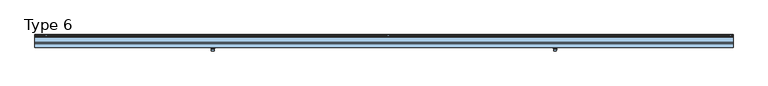
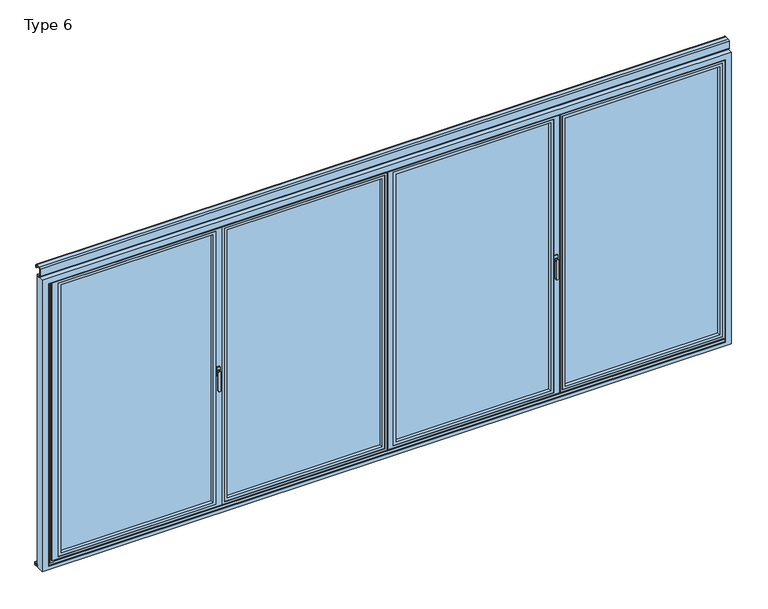
"""IFC4 building model written with IfcOpenShell, lengths in millimetres: window geometry, Type 6."""

from ifc_helpers import new_model, si_unit, point, frame, frame_2d, origin, place, context, project, spatial, polyline, circle_curve, trimmed, segment, composite_curve, outline, extrude, faceted_brep, source, transform, mapped, element, save
from ifc_brep_helpers import plane_surface, revolved_surface, advanced_brep


def type_6_a76ce523(model_context):
    return source(origin(), model_context, "Body", "SolidModel", [
        faceted_brep([(-1164.5, 80.0, 10.0), (-1164.5, 80.0, 35.0), (-1164.5, 80.0, 2070.0), (-1164.5, 80.0, 2095.0), (27.0, 80.0, 2095.0), (27.0, 80.0, 2070.0), (27.0, 80.0, 35.0), (27.0, 80.0, 10.0), (-35.5, 80.0, 72.5), (-35.5, 80.0, 2032.5), (-1102.0, 80.0, 2032.5), (-1102.0, 80.0, 72.5), (-1139.5, 20.0, 35.0), (-1134.5, 20.0, 35.0), (-3.0, 20.0, 35.0), (2.0, 20.0, 35.0), (2.0, 20.0, 2070.0), (-3.0, 20.0, 2070.0), (-1134.5, 20.0, 2070.0), (-1139.5, 20.0, 2070.0), (-1124.5, 20.0, 50.0), (-1124.5, 20.0, 2055.0), (-13.0, 20.0, 2055.0), (-13.0, 20.0, 50.0), (-13.0, 72.75, 2055.0), (-13.0, 72.75, 50.0), (-1124.5, 72.75, 50.0), (-1124.5, 72.75, 2055.0), (-1102.0, 72.75, 72.5), (-1102.0, 72.75, 2032.5), (-35.5, 72.75, 2032.5), (-35.5, 72.75, 72.5), (27.0, 73.0, 10.0), (-1164.5, 73.0, 10.0), (-1139.5, 27.0, 35.0), (-1134.5, 27.0, 35.0), (-3.0, 27.0, 35.0), (2.0, 27.0, 35.0), (12.0, 73.0, 25.0), (12.0, 73.0, 35.0), (12.0, 73.0, 2070.0), (12.0, 73.0, 2080.0), (12.0, 27.0, 2080.0), (12.0, 27.0, 25.0), (-1149.5, 27.0, 25.0), (-1149.5, 73.0, 25.0), (-1149.5, 27.0, 2080.0), (-1149.5, 73.0, 2080.0), (-1149.5, 73.0, 2070.0), (-1149.5, 73.0, 35.0), (27.0, 73.0, 2095.0), (27.0, 73.0, 2070.0), (27.0, 73.0, 35.0), (-1164.5, 73.0, 35.0), (-1164.5, 73.0, 2070.0), (-1164.5, 73.0, 2095.0), (-1139.5, 27.0, 2070.0), (-1134.5, 27.0, 2070.0), (-3.0, 27.0, 2070.0), (2.0, 27.0, 2070.0)], [[[0, 1, 2, 3, 4, 5, 6, 7], [8, 9, 10, 11]], [[12, 13, 14, 15, 16, 17, 18, 19], [20, 21, 22, 23]], [[23, 22, 24, 25]], [[25, 26, 20, 23]], [[26, 27, 21, 20]], [[25, 24, 27, 26], [28, 29, 30, 31]], [[31, 30, 9, 8]], [[8, 11, 28, 31]], [[11, 10, 29, 28]], [[27, 24, 22, 21]], [[10, 9, 30, 29]], [[32, 33, 0, 7]], [[15, 14, 13, 12, 34, 35, 36, 37]], [[38, 39, 40, 41, 42, 43]], [[43, 44, 45, 38]], [[44, 46, 47, 48, 49, 45]], [[46, 42, 41, 47]], [[50, 51, 52, 32, 7, 6, 5, 4]], [[33, 53, 54, 55, 3, 2, 1, 0]], [[43, 42, 46, 44], [37, 36, 35, 34, 56, 57, 58, 59]], [[19, 56, 34, 12]], [[15, 37, 59, 16]], [[32, 52, 51, 50, 55, 54, 53, 33], [45, 49, 48, 47, 41, 40, 39, 38]], [[4, 3, 55, 50]], [[19, 18, 17, 16, 59, 58, 57, 56]]]),
        extrude(outline(polyline([(-13.0, 72.75), (-13.0, 44.75), (-1124.5, 44.75), (-1124.5, 72.75), (-13.0, 72.75)])), frame((0.0, 0.0, 50.0), z_axis=(0.0, 0.0, 1.0), x_axis=(1.0, 0.0, 0.0)), (0.0, 0.0, 1.0), 2005.0),
        extrude(outline(polyline([(2055.0, -13.0), (2055.0, -1124.5), (50.0, -1124.5), (50.0, -13.0), (2055.0, -13.0)]), holes=[polyline([(2035.0009231, -1104.5009231), (2035.0009231, -32.9990769), (69.9990769, -32.9990769), (69.9990769, -1104.5009231), (2035.0009231, -1104.5009231)])]), frame((0.0, 20.5, 0.0), z_axis=(0.0, 1.0, 0.0), x_axis=(0.0, 0.0, 1.0)), (0.0, 0.0, 1.0), 24.25),
        extrude(outline(composite_curve([segment(trimmed(circle_curve(frame_2d((29.5, 93.5)), 10.0), [point((39.5, 93.5))], [point((19.5, 93.5))], False, "CARTESIAN"), True, "CONTINUOUS"), segment(trimmed(circle_curve(frame_2d((29.5, 93.5)), 10.0), [point((19.5, 93.5))], [point((39.5, 93.5))], False, "CARTESIAN"), True, "CONTINUOUS")], self_intersect=False)), frame((0.0, 0.0, -12.0640378), z_axis=(0.0, 0.0, 1.0), x_axis=(1.0, 0.0, 0.0)), (0.0, 0.0, 1.0), 166.5636122),
        extrude(outline(composite_curve([segment(trimmed(circle_curve(frame_2d((29.5, 93.5)), 10.0), [point((19.5, 93.5))], [point((39.5, 93.5))], False, "CARTESIAN"), True, "CONTINUOUS"), segment(trimmed(circle_curve(frame_2d((29.5, 93.5)), 10.0), [point((39.5, 93.5))], [point((19.5, 93.5))], False, "CARTESIAN"), True, "CONTINUOUS")], self_intersect=False)), frame((0.0, 0.0, 1972.5), z_axis=(0.0, 0.0, 1.0), x_axis=(1.0, 0.0, 0.0)), (0.0, 0.0, 1.0), 153.5),
        advanced_brep(
        [(1162.0, -4.0, 896.6867153), (1180.0, -4.0, 896.6867153), (1180.0, -4.0, 1028.0), (1162.0, -4.0, 1028.0), (1161.0, 3.5, 896.6867153), (1161.0, 3.5, 1028.0), (1181.0, 3.5, 1028.0), (1181.0, 3.5, 896.6867153), (1160.0, 11.0, 1028.0), (1182.0, 11.0, 1028.0)],
        [
            (0, 1, circle_curve(frame((1171.0, -4.0, 896.6867153), z_axis=(0.0, -1.0, 0.0), x_axis=(-1.0000000000000009, 0.0, 0.0)), 9.0)),
            (1, 2),
            (2, 3, circle_curve(frame((1171.0, -4.0, 1028.0), z_axis=(0.0, -1.0, 0.0), x_axis=(1.0000000000000009, 0.0, 0.0)), 9.0)),
            (3, 0),
            (4, 5),
            (5, 6, circle_curve(frame((1171.0, 3.5, 1028.0), z_axis=(0.0, -1.0, 0.0), x_axis=(1.0000000000000009, 0.0, 0.0)), 10.0)),
            (6, 7),
            (7, 4, circle_curve(frame((1171.0, 3.5, 896.6867153), z_axis=(0.0, 1.0, 0.0), x_axis=(-1.0000000000000009, 0.0, 0.0)), 10.0)),
            (0, 4),
            (7, 1),
            (6, 2),
            (6, 5, circle_curve(frame((1171.0, 3.5, 1028.0), z_axis=(0.0, -1.0, 0.0), x_axis=(1.0000000000000009, 0.0, 0.0)), 10.0)),
            (5, 3),
            (8, 9, circle_curve(frame((1171.0, 11.0, 1028.0), z_axis=(0.0, 1.0, 0.0), x_axis=(-1.0000000000000009, 0.0, 0.0)), 11.0)),
            (9, 8, circle_curve(frame((1171.0, 11.0, 1028.0), z_axis=(0.0, 1.0, 0.0), x_axis=(1.0000000000000009, 0.0, 0.0)), 11.0)),
            (8, 5),
            (6, 9),
        ],
        [
            plane_surface(frame((1171.0, -4.0, 962.3433576), z_axis=(0.0, -1.0, 0.0), x_axis=(0.0, 0.0, -1.0))),
            plane_surface(frame((1171.0, 3.5, 962.3433576), z_axis=(0.0, 1.0, 0.0), x_axis=(0.0, 0.0, -1.0))),
            revolved_surface(polyline([(1162.0, -4.0, 896.6867153), (1161.0, 3.5, 896.6867153)]), (1171.0, -71.5, 896.6867153), (0.0, 1.0000000000000009, 0.0)),
            plane_surface(frame((1181.0, 3.5, 962.3433576), z_axis=(0.9912279006826268, -0.1321637200910768, 0.0), x_axis=(0.0, 0.0, 1.0))),
            revolved_surface(polyline([(1180.0, -4.0, 1028.0), (1181.0, 3.5, 1028.0)]), (1171.0, -71.5, 1028.0), (0.0, 1.0000000000000009, 0.0)),
            plane_surface(frame((1161.0, 3.5, 962.3433576), z_axis=(-0.99122790068263, -0.13216372009105393, 0.0), x_axis=(0.0, 0.0, -1.0))),
            plane_surface(frame((1171.0, 11.0, 1028.0), z_axis=(0.0, 1.0, 0.0), x_axis=(0.0, 0.0, 1.0))),
            revolved_surface(polyline([(1181.0, 3.5, 1028.0), (1182.0, 11.0, 1028.0)]), (1171.0, -71.5, 1028.0), (0.0, 1.0000000000000009, 0.0)),
            revolved_surface(polyline([(1161.0, 3.5, 1028.0), (1160.0, 11.0, 1028.0)]), (1171.0, -71.5, 1028.0), (0.0, 1.0000000000000009, 0.0)),
        ],
        [
            (0, [[1, 2, 3, 4]]),
            (1, [[5, 6, 7, 8]]),
            (2, [[-1, 9, -8, 10]]),
            (3, [[-2, -10, -7, 11]]),
            (4, [[-3, -11, 12, 13]]),
            (5, [[-4, -13, -5, -9]]),
            (6, [[14, 15]]),
            (7, [[-14, 16, -12, 17]]),
            (8, [[-15, -17, -6, -16]]),
        ],
    ),
        extrude(outline(polyline([(1183.0, 11.0), (1159.0, 11.0), (1159.0, 20.0), (1183.0, 20.0), (1183.0, 11.0)])), frame((0.0, 0.0, 998.0), z_axis=(0.0, 0.0, 1.0), x_axis=(1.0, 0.0, 0.0)), (0.0, 0.0, 1.0), 60.0),
        faceted_brep([(1173.5, 80.0, 10.0), (32.0, 80.0, 10.0), (32.0, 80.0, 35.0), (32.0, 80.0, 2070.0), (32.0, 80.0, 2095.0), (1173.5, 80.0, 2095.0), (1173.5, 80.0, 2070.0), (1173.5, 80.0, 35.0), (69.5, 80.0, 72.5), (1136.0, 80.0, 72.5), (1136.0, 80.0, 2032.5), (69.5, 80.0, 2032.5), (1198.5, 20.0, 35.0), (1198.5, 20.0, 2070.0), (7.0, 20.0, 2070.0), (7.0, 20.0, 35.0), (1158.5, 20.0, 50.0), (47.0, 20.0, 50.0), (47.0, 20.0, 2055.0), (1158.5, 20.0, 2055.0), (47.0, 72.75, 50.0), (47.0, 72.75, 2055.0), (1158.5, 72.75, 50.0), (1158.5, 72.75, 2055.0), (1136.0, 72.75, 72.5), (69.5, 72.75, 72.5), (69.5, 72.75, 2032.5), (1136.0, 72.75, 2032.5), (32.0, 73.0, 10.0), (1173.5, 73.0, 10.0), (1198.5, 27.0, 35.0), (7.0, 27.0, 35.0), (22.0, 27.0, 35.0), (1183.5, 27.0, 35.0), (22.0, 73.0, 25.0), (22.0, 73.0, 2080.0), (32.0, 73.0, 2080.0), (32.0, 73.0, 2070.0), (32.0, 73.0, 35.0), (32.0, 73.0, 25.0), (1183.5, 73.0, 2080.0), (1183.5, 73.0, 25.0), (1173.5, 73.0, 25.0), (1173.5, 73.0, 35.0), (1173.5, 73.0, 2070.0), (1173.5, 73.0, 2080.0), (22.0, 27.0, 25.0), (22.0, 27.0, 2070.0), (22.0, 27.0, 2080.0), (1183.5, 27.0, 25.0), (1183.5, 27.0, 2080.0), (1183.5, 27.0, 2070.0), (1198.5, 27.0, 2070.0), (7.0, 27.0, 2070.0), (32.0, 73.0, 2095.0), (1173.5, 73.0, 2095.0)], [[[0, 1, 2, 3, 4, 5, 6, 7], [8, 9, 10, 11]], [[12, 13, 14, 15], [16, 17, 18, 19]], [[17, 20, 21, 18]], [[20, 17, 16, 22]], [[22, 16, 19, 23]], [[20, 22, 23, 21], [24, 25, 26, 27]], [[25, 8, 11, 26]], [[8, 25, 24, 9]], [[9, 24, 27, 10]], [[23, 19, 18, 21]], [[10, 27, 26, 11]], [[28, 1, 0, 29]], [[30, 12, 15, 31, 32, 33]], [[34, 35, 36, 37, 38, 39]], [[40, 41, 42, 43, 44, 45]], [[34, 46, 32, 47, 48, 35]], [[46, 34, 39, 42, 41, 49]], [[49, 41, 40, 50, 51, 33]], [[46, 49, 33, 32]], [[50, 48, 47, 51]], [[50, 40, 45, 36, 35, 48]], [[14, 13, 52, 51, 47, 53]], [[14, 53, 31, 15]], [[54, 4, 3, 2, 1, 28, 39, 38, 37, 36]], [[29, 0, 7, 6, 5, 55, 45, 44, 43, 42]], [[39, 28, 29, 42]], [[54, 36, 45, 55]], [[4, 54, 55, 5]], [[12, 30, 52, 13]], [[52, 30, 33, 51]], [[31, 53, 47, 32]]]),
        extrude(outline(polyline([(47.0, 72.75), (1158.5, 72.75), (1158.5, 44.75), (47.0, 44.75), (47.0, 72.75)])), frame((0.0, 0.0, 50.0), z_axis=(0.0, 0.0, 1.0), x_axis=(1.0, 0.0, 0.0)), (0.0, 0.0, 1.0), 2005.0),
        extrude(outline(polyline([(2055.0, 47.0), (50.0, 47.0), (50.0, 1158.5), (2055.0, 1158.5), (2055.0, 47.0)]), holes=[polyline([(2035.0009231, 1138.5009231), (69.9990769, 1138.5009231), (69.9990769, 66.9990769), (2035.0009231, 66.9990769), (2035.0009231, 1138.5009231)])]), frame((0.0, 20.5, 0.0), z_axis=(0.0, 1.0, 0.0), x_axis=(0.0, 0.0, 1.0)), (0.0, 0.0, 1.0), 24.25),
        extrude(outline(composite_curve([segment(trimmed(circle_curve(frame_2d((29.5, 93.5)), 10.0), [point((19.5, 93.5))], [point((39.5, 93.5))], False, "CARTESIAN"), True, "CONTINUOUS"), segment(trimmed(circle_curve(frame_2d((29.5, 93.5)), 10.0), [point((39.5, 93.5))], [point((19.5, 93.5))], False, "CARTESIAN"), True, "CONTINUOUS")], self_intersect=False)), frame((0.0, 0.0, -12.0640378), z_axis=(0.0, 0.0, 1.0), x_axis=(1.0, 0.0, 0.0)), (0.0, 0.0, 1.0), 166.5636122),
        extrude(outline(composite_curve([segment(trimmed(circle_curve(frame_2d((29.5, 93.5)), 10.0), [point((39.5, 93.5))], [point((19.5, 93.5))], False, "CARTESIAN"), True, "CONTINUOUS"), segment(trimmed(circle_curve(frame_2d((29.5, 93.5)), 10.0), [point((19.5, 93.5))], [point((39.5, 93.5))], False, "CARTESIAN"), True, "CONTINUOUS")], self_intersect=False)), frame((0.0, 0.0, 1972.5), z_axis=(0.0, 0.0, 1.0), x_axis=(1.0, 0.0, 0.0)), (0.0, 0.0, 1.0), 153.5),
        faceted_brep([(1178.5, 80.0, 10.0), (1178.5, 80.0, 35.0), (1178.5, 80.0, 2070.0), (1178.5, 80.0, 2095.0), (2370.0, 80.0, 2095.0), (2370.0, 80.0, 2070.0), (2370.0, 80.0, 35.0), (2370.0, 80.0, 10.0), (2307.5, 80.0, 72.5), (2307.5, 80.0, 2032.5), (1241.0, 80.0, 2032.5), (1241.0, 80.0, 72.5), (1203.5, 20.0, 35.0), (1208.5, 20.0, 35.0), (2340.0, 20.0, 35.0), (2345.0, 20.0, 35.0), (2345.0, 20.0, 2070.0), (2340.0, 20.0, 2070.0), (1208.5, 20.0, 2070.0), (1203.5, 20.0, 2070.0), (1218.5, 20.0, 50.0), (1218.5, 20.0, 2055.0), (2330.0, 20.0, 2055.0), (2330.0, 20.0, 50.0), (2330.0, 72.75, 2055.0), (2330.0, 72.75, 50.0), (1218.5, 72.75, 50.0), (1218.5, 72.75, 2055.0), (1241.0, 72.75, 72.5), (1241.0, 72.75, 2032.5), (2307.5, 72.75, 2032.5), (2307.5, 72.75, 72.5), (2370.0, 73.0, 10.0), (1178.5, 73.0, 10.0), (1203.5, 27.0, 35.0), (1208.5, 27.0, 35.0), (2340.0, 27.0, 35.0), (2345.0, 27.0, 35.0), (2355.0, 73.0, 25.0), (2355.0, 73.0, 35.0), (2355.0, 73.0, 2070.0), (2355.0, 73.0, 2080.0), (2355.0, 27.0, 2080.0), (2355.0, 27.0, 25.0), (1193.5, 27.0, 25.0), (1193.5, 73.0, 25.0), (1193.5, 27.0, 2080.0), (1193.5, 73.0, 2080.0), (1193.5, 73.0, 2070.0), (1193.5, 73.0, 35.0), (2370.0, 73.0, 2095.0), (2370.0, 73.0, 2070.0), (2370.0, 73.0, 35.0), (1178.5, 73.0, 35.0), (1178.5, 73.0, 2070.0), (1178.5, 73.0, 2095.0), (1203.5, 27.0, 2070.0), (1208.5, 27.0, 2070.0), (2340.0, 27.0, 2070.0), (2345.0, 27.0, 2070.0)], [[[0, 1, 2, 3, 4, 5, 6, 7], [8, 9, 10, 11]], [[12, 13, 14, 15, 16, 17, 18, 19], [20, 21, 22, 23]], [[23, 22, 24, 25]], [[25, 26, 20, 23]], [[26, 27, 21, 20]], [[25, 24, 27, 26], [28, 29, 30, 31]], [[31, 30, 9, 8]], [[8, 11, 28, 31]], [[11, 10, 29, 28]], [[27, 24, 22, 21]], [[10, 9, 30, 29]], [[32, 33, 0, 7]], [[15, 14, 13, 12, 34, 35, 36, 37]], [[38, 39, 40, 41, 42, 43]], [[43, 44, 45, 38]], [[44, 46, 47, 48, 49, 45]], [[46, 42, 41, 47]], [[50, 51, 52, 32, 7, 6, 5, 4]], [[33, 53, 54, 55, 3, 2, 1, 0]], [[43, 42, 46, 44], [37, 36, 35, 34, 56, 57, 58, 59]], [[19, 56, 34, 12]], [[15, 37, 59, 16]], [[32, 52, 51, 50, 55, 54, 53, 33], [45, 49, 48, 47, 41, 40, 39, 38]], [[4, 3, 55, 50]], [[19, 18, 17, 16, 59, 58, 57, 56]]]),
        extrude(outline(polyline([(2330.0, 72.75), (2330.0, 44.75), (1218.5, 44.75), (1218.5, 72.75), (2330.0, 72.75)])), frame((0.0, 0.0, 50.0), z_axis=(0.0, 0.0, 1.0), x_axis=(1.0, 0.0, 0.0)), (0.0, 0.0, 1.0), 2005.0),
        extrude(outline(polyline([(2055.0, 2330.0), (2055.0, 1218.5), (50.0, 1218.5), (50.0, 2330.0), (2055.0, 2330.0)]), holes=[polyline([(2035.0009231, 1238.4990769), (2035.0009231, 2310.0009231), (69.9990769, 2310.0009231), (69.9990769, 1238.4990769), (2035.0009231, 1238.4990769)])]), frame((0.0, 20.5, 0.0), z_axis=(0.0, 1.0, 0.0), x_axis=(0.0, 0.0, 1.0)), (0.0, 0.0, 1.0), 24.25),
        extrude(outline(composite_curve([segment(trimmed(circle_curve(frame_2d((2372.5, 93.5)), 10.0), [point((2382.5, 93.5))], [point((2362.5, 93.5))], False, "CARTESIAN"), True, "CONTINUOUS"), segment(trimmed(circle_curve(frame_2d((2372.5, 93.5)), 10.0), [point((2362.5, 93.5))], [point((2382.5, 93.5))], False, "CARTESIAN"), True, "CONTINUOUS")], self_intersect=False)), frame((0.0, 0.0, -12.0640378), z_axis=(0.0, 0.0, 1.0), x_axis=(1.0, 0.0, 0.0)), (0.0, 0.0, 1.0), 166.5636122),
        extrude(outline(composite_curve([segment(trimmed(circle_curve(frame_2d((2372.5, 93.5)), 10.0), [point((2362.5, 93.5))], [point((2382.5, 93.5))], False, "CARTESIAN"), True, "CONTINUOUS"), segment(trimmed(circle_curve(frame_2d((2372.5, 93.5)), 10.0), [point((2382.5, 93.5))], [point((2362.5, 93.5))], False, "CARTESIAN"), True, "CONTINUOUS")], self_intersect=False)), frame((0.0, 0.0, 1972.5), z_axis=(0.0, 0.0, 1.0), x_axis=(1.0, 0.0, 0.0)), (0.0, 0.0, 1.0), 153.5),
        advanced_brep(
        [(-1181.0, -4.0, 896.6867153), (-1163.0, -4.0, 896.6867153), (-1163.0, -4.0, 1028.0), (-1181.0, -4.0, 1028.0), (-1182.0, 3.5, 896.6867153), (-1182.0, 3.5, 1028.0), (-1162.0, 3.5, 1028.0), (-1162.0, 3.5, 896.6867153), (-1183.0, 11.0, 1028.0), (-1161.0, 11.0, 1028.0)],
        [
            (0, 1, circle_curve(frame((-1172.0, -4.0, 896.6867153), z_axis=(0.0, -1.0, 0.0), x_axis=(-1.0, 0.0, 0.0)), 9.0)),
            (1, 2),
            (2, 3, circle_curve(frame((-1172.0, -4.0, 1028.0), z_axis=(0.0, -1.0, 0.0), x_axis=(1.0, 0.0, 0.0)), 9.0)),
            (3, 0),
            (4, 5),
            (5, 6, circle_curve(frame((-1172.0, 3.5, 1028.0), z_axis=(0.0, -1.0, 0.0), x_axis=(1.0, 0.0, 0.0)), 10.0)),
            (6, 7),
            (7, 4, circle_curve(frame((-1172.0, 3.5, 896.6867153), z_axis=(0.0, 1.0, 0.0), x_axis=(-1.0, 0.0, 0.0)), 10.0)),
            (0, 4),
            (7, 1),
            (6, 2),
            (6, 5, circle_curve(frame((-1172.0, 3.5, 1028.0), z_axis=(0.0, -1.0, 0.0), x_axis=(1.0, 0.0, 0.0)), 10.0)),
            (5, 3),
            (8, 9, circle_curve(frame((-1172.0, 11.0, 1028.0), z_axis=(0.0, 1.0, 0.0), x_axis=(-1.0, 0.0, 0.0)), 11.0)),
            (9, 8, circle_curve(frame((-1172.0, 11.0, 1028.0), z_axis=(0.0, 1.0, 0.0), x_axis=(1.0, 0.0, 0.0)), 11.0)),
            (8, 5),
            (6, 9),
        ],
        [
            plane_surface(frame((-1172.0, -4.0, 962.3433576), z_axis=(0.0, -1.0, 0.0), x_axis=(0.0, 0.0, -1.0))),
            plane_surface(frame((-1172.0, 3.5, 962.3433576), z_axis=(0.0, 1.0, 0.0), x_axis=(0.0, 0.0, -1.0))),
            revolved_surface(polyline([(-1181.0, -4.0, 896.6867153), (-1182.0, 3.5, 896.6867153)]), (-1172.0, -71.5, 896.6867153), (0.0, 1.0, 0.0)),
            plane_surface(frame((-1162.0, 3.5, 962.3433576), z_axis=(0.9912279006826277, -0.1321637200910704, 0.0), x_axis=(0.0, 0.0, 1.0))),
            revolved_surface(polyline([(-1163.0, -4.0, 1028.0), (-1162.0, 3.5, 1028.0)]), (-1172.0, -71.5, 1028.0), (0.0, 1.0, 0.0)),
            plane_surface(frame((-1182.0, 3.5, 962.3433576), z_axis=(-0.9912279006826291, -0.1321637200910603, 0.0), x_axis=(0.0, 0.0, -1.0))),
            plane_surface(frame((-1172.0, 11.0, 1028.0), z_axis=(0.0, 1.0, 0.0), x_axis=(0.0, 0.0, 1.0))),
            revolved_surface(polyline([(-1162.0, 3.5, 1028.0), (-1161.0, 11.0, 1028.0)]), (-1172.0, -71.5, 1028.0), (0.0, 1.0, 0.0)),
            revolved_surface(polyline([(-1182.0, 3.5, 1028.0), (-1183.0, 11.0, 1028.0)]), (-1172.0, -71.5, 1028.0), (0.0, 1.0, 0.0)),
        ],
        [
            (0, [[1, 2, 3, 4]]),
            (1, [[5, 6, 7, 8]]),
            (2, [[-1, 9, -8, 10]]),
            (3, [[-2, -10, -7, 11]]),
            (4, [[-3, -11, 12, 13]]),
            (5, [[-4, -13, -5, -9]]),
            (6, [[14, 15]]),
            (7, [[-14, 16, -12, 17]]),
            (8, [[-15, -17, -6, -16]]),
        ],
    ),
        extrude(outline(polyline([(-1160.0, 11.0), (-1184.0, 11.0), (-1184.0, 20.0), (-1160.0, 20.0), (-1160.0, 11.0)])), frame((0.0, 0.0, 998.0), z_axis=(0.0, 0.0, 1.0), x_axis=(1.0, 0.0, 0.0)), (0.0, 0.0, 1.0), 60.0),
        faceted_brep([(-1169.5, 80.0, 10.0), (-2324.5, 80.0, 10.0), (-2324.5, 80.0, 35.0), (-2324.5, 80.0, 2070.0), (-2324.5, 80.0, 2095.0), (-1169.5, 80.0, 2095.0), (-1169.5, 80.0, 2070.0), (-1169.5, 80.0, 35.0), (-2254.5, 80.0, 72.5), (-1207.0, 80.0, 72.5), (-1207.0, 80.0, 2032.5), (-2254.5, 80.0, 2032.5), (-1144.5, 20.0, 35.0), (-1144.5, 20.0, 2070.0), (-2324.5, 20.0, 2070.0), (-2324.5, 20.0, 35.0), (-1184.5, 20.0, 50.0), (-2277.0, 20.0, 50.0), (-2277.0, 20.0, 2055.0), (-1184.5, 20.0, 2055.0), (-2277.0, 72.75, 50.0), (-2277.0, 72.75, 2055.0), (-1184.5, 72.75, 50.0), (-1184.5, 72.75, 2055.0), (-1207.0, 72.75, 72.5), (-2254.5, 72.75, 72.5), (-2254.5, 72.75, 2032.5), (-1207.0, 72.75, 2032.5), (-2324.5, 73.0, 10.0), (-1169.5, 73.0, 10.0), (-1144.5, 27.0, 35.0), (-2324.5, 27.0, 35.0), (-2302.0, 27.0, 35.0), (-1159.5, 27.0, 35.0), (-1159.5, 73.0, 2080.0), (-1159.5, 73.0, 25.0), (-1169.5, 73.0, 25.0), (-1169.5, 73.0, 35.0), (-1169.5, 73.0, 2070.0), (-1169.5, 73.0, 2080.0), (-2302.0, 73.0, 25.0), (-2302.0, 27.0, 25.0), (-2302.0, 27.0, 2070.0), (-2302.0, 27.0, 2080.0), (-2302.0, 73.0, 2080.0), (-2302.0, 73.0, 2070.0), (-2302.0, 73.0, 35.0), (-1159.5, 27.0, 25.0), (-1159.5, 27.0, 2080.0), (-1159.5, 27.0, 2070.0), (-1144.5, 27.0, 2070.0), (-2324.5, 27.0, 2070.0), (-1169.5, 73.0, 2095.0), (-2324.5, 73.0, 2095.0), (-2324.5, 73.0, 2070.0), (-2324.5, 73.0, 35.0)], [[[0, 1, 2, 3, 4, 5, 6, 7], [8, 9, 10, 11]], [[12, 13, 14, 15], [16, 17, 18, 19]], [[17, 20, 21, 18]], [[20, 17, 16, 22]], [[22, 16, 19, 23]], [[20, 22, 23, 21], [24, 25, 26, 27]], [[25, 8, 11, 26]], [[8, 25, 24, 9]], [[9, 24, 27, 10]], [[23, 19, 18, 21]], [[10, 27, 26, 11]], [[28, 1, 0, 29]], [[30, 12, 15, 31, 32, 33]], [[34, 35, 36, 37, 38, 39]], [[40, 41, 32, 42, 43, 44, 45, 46]], [[41, 40, 36, 35, 47]], [[47, 35, 34, 48, 49, 33]], [[41, 47, 33, 32]], [[48, 43, 42, 49]], [[48, 34, 39, 44, 43]], [[14, 13, 50, 49, 42, 51]], [[50, 30, 33, 49]], [[31, 51, 42, 32]], [[14, 51, 31, 15]], [[29, 36, 40, 46, 45, 44, 39, 52, 53, 54, 55, 28]], [[4, 53, 52, 5]], [[29, 0, 7, 6, 5, 52, 39, 38, 37, 36]], [[53, 4, 3, 2, 1, 28, 55, 54]], [[12, 30, 50, 13]]]),
        extrude(outline(polyline([(-2277.0, 72.75), (-1184.5, 72.75), (-1184.5, 44.75), (-2277.0, 44.75), (-2277.0, 72.75)])), frame((0.0, 0.0, 50.0), z_axis=(0.0, 0.0, 1.0), x_axis=(1.0, 0.0, 0.0)), (0.0, 0.0, 1.0), 2005.0),
        extrude(outline(polyline([(2055.0, -2277.0), (50.0, -2277.0), (50.0, -1184.5), (2055.0, -1184.5), (2055.0, -2277.0)]), holes=[polyline([(2035.0009231, -1204.4990769), (69.9990769, -1204.4990769), (69.9990769, -2257.0009231), (2035.0009231, -2257.0009231), (2035.0009231, -1204.4990769)])]), frame((0.0, 20.5, 0.0), z_axis=(0.0, 1.0, 0.0), x_axis=(0.0, 0.0, 1.0)), (0.0, 0.0, 1.0), 24.25),
        extrude(outline(composite_curve([segment(trimmed(circle_curve(frame_2d((-2313.5, 93.5)), 10.0), [point((-2323.5, 93.5))], [point((-2303.5, 93.5))], False, "CARTESIAN"), True, "CONTINUOUS"), segment(trimmed(circle_curve(frame_2d((-2313.5, 93.5)), 10.0), [point((-2303.5, 93.5))], [point((-2323.5, 93.5))], False, "CARTESIAN"), True, "CONTINUOUS")], self_intersect=False)), frame((0.0, 0.0, -12.0640378), z_axis=(0.0, 0.0, 1.0), x_axis=(1.0, 0.0, 0.0)), (0.0, 0.0, 1.0), 166.5636122),
        extrude(outline(composite_curve([segment(trimmed(circle_curve(frame_2d((-2313.5, 93.5)), 10.0), [point((-2303.5, 93.5))], [point((-2323.5, 93.5))], False, "CARTESIAN"), True, "CONTINUOUS"), segment(trimmed(circle_curve(frame_2d((-2313.5, 93.5)), 10.0), [point((-2323.5, 93.5))], [point((-2303.5, 93.5))], False, "CARTESIAN"), True, "CONTINUOUS")], self_intersect=False)), frame((0.0, 0.0, 1972.5), z_axis=(0.0, 0.0, 1.0), x_axis=(1.0, 0.0, 0.0)), (0.0, 0.0, 1.0), 153.5),
        extrude(outline(composite_curve([segment(polyline([(95.0, 2165.0), (91.0, 2165.0), (91.0, 2182.0)]), True, "CONTINUOUS"), segment(trimmed(circle_curve(frame_2d((87.0, 2182.0)), 4.0), [point((91.0, 2182.0))], [point((87.0, 2186.0))], True, "CARTESIAN"), True, "CONTINUOUS"), segment(polyline([(87.0, 2186.0), (53.0, 2186.0)]), True, "CONTINUOUS"), segment(trimmed(circle_curve(frame_2d((53.0, 2182.0)), 4.0), [point((53.0, 2186.0))], [point((49.0, 2182.0))], True, "CARTESIAN"), True, "CONTINUOUS"), segment(polyline([(49.0, 2182.0), (49.0, 2128.0)]), True, "CONTINUOUS"), segment(trimmed(circle_curve(frame_2d((53.0, 2128.0)), 4.0), [point((49.0, 2128.0))], [point((53.0, 2124.0))], True, "CARTESIAN"), True, "CONTINUOUS"), segment(polyline([(53.0, 2124.0), (80.0, 2124.0), (80.0, 2115.0), (58.5, 2115.0), (58.5, 2120.0), (53.0, 2120.0)]), True, "CONTINUOUS"), segment(trimmed(circle_curve(frame_2d((53.0, 2128.0)), 8.0), [point((53.0, 2120.0))], [point((45.0, 2128.0))], False, "CARTESIAN"), True, "CONTINUOUS"), segment(polyline([(45.0, 2128.0), (45.0, 2182.0)]), True, "CONTINUOUS"), segment(trimmed(circle_curve(frame_2d((53.0, 2182.0)), 8.0), [point((45.0, 2182.0))], [point((53.0, 2190.0))], False, "CARTESIAN"), True, "CONTINUOUS"), segment(polyline([(53.0, 2190.0), (87.0, 2190.0)]), True, "CONTINUOUS"), segment(trimmed(circle_curve(frame_2d((87.0, 2182.0)), 8.0), [point((87.0, 2190.0))], [point((95.0, 2182.0))], False, "CARTESIAN"), True, "CONTINUOUS"), segment(polyline([(95.0, 2182.0), (95.0, 2165.0)]), True, "CONTINUOUS")], self_intersect=False)), frame((-2390.0, 0.0, 0.0), z_axis=(1.0, 0.0, 0.0), x_axis=(0.0, 1.0, 0.0)), (0.0, 0.0, 1.0), 4780.0),
        extrude(outline(polyline([(82.5218516, 1.0), (82.5218516, -19.0), (103.5218516, -19.0), (103.5218516, 1.0), (106.5218516, 1.0), (106.5218516, -22.0), (80.0, -22.0), (80.0, 1.0), (82.5218516, 1.0)])), frame((-2390.0, 0.0, 0.0), z_axis=(1.0, 0.0, 0.0), x_axis=(0.0, 1.0, 0.0)), (0.0, 0.0, 1.0), 4780.0),
        extrude(outline(polyline([(-2333.5, 27.0), (-2333.5, 42.5), (-2325.4927899, 42.5), (-2325.4927899, 57.5), (-2333.5, 57.5), (-2333.5, 73.0), (-2302.0, 73.0), (-2302.0, 27.0), (-2333.5, 27.0)])), frame((0.0, 0.0, 14.5), z_axis=(0.0, 0.0, 1.0), x_axis=(1.0, 0.0, 0.0)), (0.0, 0.0, 1.0), 2075.5),
        extrude(outline(polyline([(-2341.5072101, 42.5), (-2333.5, 42.5), (-2333.5, 27.0), (-2365.0, 27.0), (-2365.0, 73.0), (-2333.5, 73.0), (-2333.5, 57.5), (-2341.5072101, 57.5), (-2341.5072101, 42.5)])), frame((0.0, 0.0, 14.5), z_axis=(0.0, 0.0, 1.0), x_axis=(1.0, 0.0, 0.0)), (0.0, 0.0, 1.0), 2075.5),
        faceted_brep([(-2390.0, 80.0, -22.0), (2390.0, 80.0, -22.0), (2390.0, 20.0, -22.0), (-2390.0, 20.0, -22.0), (2390.0, 80.0, 2115.0), (2390.0, 20.0, 2115.0), (-2390.0, 20.0, 2115.0), (2350.0, 20.0, 2075.0), (2350.0, 20.0, 2.0), (-2342.5, 20.0, 2.0), (-2342.5, 20.0, 2075.0), (-2390.0, 80.0, 2115.0), (2375.0, 80.0, 2.0), (2375.0, 80.0, 2100.0), (-2342.5, 80.0, 2100.0), (-2342.5, 80.0, 2.0), (2375.0, 73.0, 2100.0), (2375.0, 73.0, 2.0), (2350.0, 27.0, 2075.0), (2350.0, 27.0, 18.5), (2350.0, 23.5, 8.0), (2350.0, 23.5, 2.0), (-2342.5, 27.0, 2075.0), (-2342.5, 27.0, 18.5), (-2365.0, 27.0, 18.5), (-2365.0, 27.0, 2090.0), (2365.0, 27.0, 2090.0), (2365.0, 27.0, 18.5), (2365.0, 73.0, 2090.0), (2365.0, 73.0, 14.5), (2365.0, 37.849718, 14.5), (2365.0, 33.0276133, 18.5), (-2365.0, 73.0, 2090.0), (-2365.0, 33.0276133, 18.5), (-2365.0, 37.849718, 14.5), (-2365.0, 73.0, 14.5), (-2342.5, 73.0, 2090.0), (-2342.5, 73.0, 2100.0), (-2342.5, 73.0, 2.0), (-2342.5, 73.0, 14.5), (-2342.5, 23.5, 2.0), (-2342.5, 23.5, 8.0)], [[[0, 1, 2, 3]], [[2, 1, 4, 5]], [[2, 5, 6, 3], [7, 8, 9, 10]], [[6, 11, 0, 3]], [[0, 11, 4, 1], [12, 13, 14, 15]], [[16, 13, 12, 17]], [[7, 18, 19, 20, 21, 8]], [[19, 18, 22, 23, 24, 25, 26, 27]], [[26, 28, 29, 30, 31, 27]], [[32, 25, 24, 33, 34, 35]], [[29, 28, 36, 37, 16, 17, 38, 39]], [[13, 16, 37, 14]], [[6, 5, 4, 11]], [[18, 7, 10, 22]], [[28, 26, 25, 32, 36]], [[17, 12, 15, 38]], [[8, 21, 40, 9]], [[20, 19, 23, 41]], [[21, 20, 41, 40]], [[31, 33, 24, 23, 19, 27]], [[34, 30, 29, 39, 35]], [[33, 31, 30, 34]], [[15, 14, 37, 36, 39, 38]], [[10, 9, 40, 41, 23, 22]], [[39, 36, 32, 35]]]),
    ])


if __name__ == "__main__":
    model = new_model("IFC4")
    model_context = context("Model", 3, world=origin())
    ifc_project = project(units=[si_unit("LENGTHUNIT", "METRE", prefix="MILLI")], contexts=[model_context])
    site = spatial("IfcSite", under=ifc_project)
    building = spatial("IfcBuilding", under=site)
    placement = place(None, origin())
    type_6_shape = type_6_a76ce523(model_context)
    element("IfcWindow", 1, ObjectType="Type 6", at=placement, inside=building, context=model_context, shape_type="MappedRepresentation", body=[
        mapped(type_6_shape, transform((0.0, 0.0, 0.0), x_axis=(1.0, 0.0, 0.0), y_axis=(0.0, 1.0, 0.0), z_axis=(0.0, 0.0, 1.0))),
    ])
    save(model, "model.ifc")
